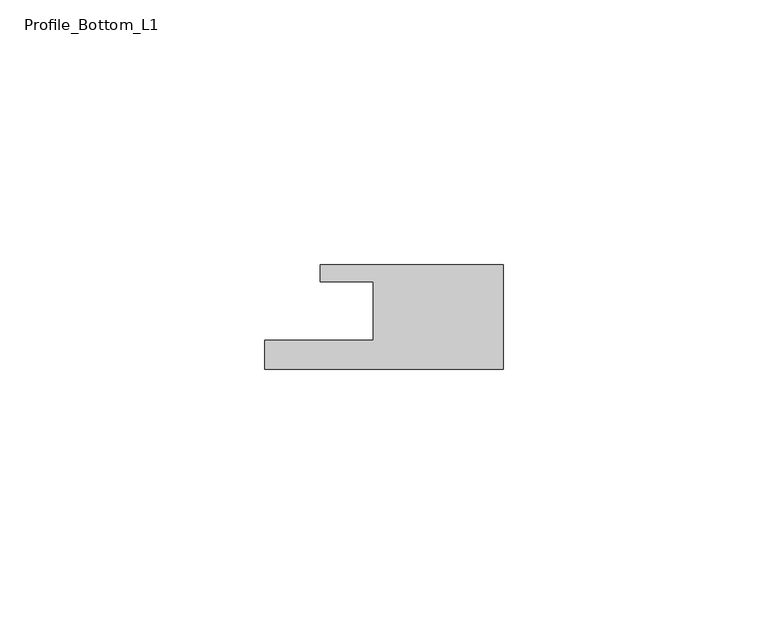
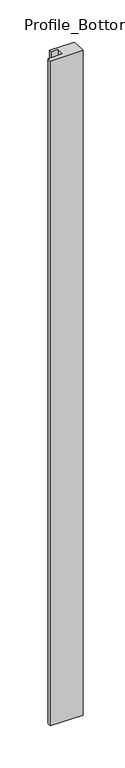
"""IFC4 building model written with IfcOpenShell, lengths in millimetres: member geometry, Profile_Bottom_L1."""

from ifc_helpers import new_model, si_unit, frame, origin, place, context, project, spatial, polyline, outline, extrude, source, transform, mapped, element, save


def profile_bottom_l1_a6e10eb4(model_context):
    return source(origin(), model_context, "Body", "SweptSolid", [
        extrude(outline(polyline([(-45.0, -5.5), (-24.5, -5.5), (-24.5, 5.5), (-34.5, 5.5), (-34.5, 8.7), (0.0, 8.7), (0.0, -11.0), (-45.0, -11.0), (-45.0, -5.5)])), frame((0.0, 0.0, -964.5), z_axis=(0.0, 0.0, 1.0), x_axis=(1.0, 0.0, 0.0)), (0.0, 0.0, 1.0), 964.5),
    ])


if __name__ == "__main__":
    model = new_model("IFC4")
    model_context = context("Model", 3, world=origin())
    ifc_project = project(units=[si_unit("LENGTHUNIT", "METRE", prefix="MILLI")], contexts=[model_context])
    site = spatial("IfcSite", under=ifc_project)
    building = spatial("IfcBuilding", under=site)
    placement = place(None, origin())
    profile_bottom_l1_shape = profile_bottom_l1_a6e10eb4(model_context)
    element("IfcMember", 1, ObjectType="Profile_Bottom_L1", at=placement, inside=building, context=model_context, shape_type="MappedRepresentation", body=[
        mapped(profile_bottom_l1_shape, transform((0.0, 0.0, 0.0), x_axis=(1.0, 0.0, 0.0), y_axis=(0.0, 1.0, 0.0), z_axis=(0.0, 0.0, 1.0))),
    ])
    save(model, "model.ifc")
